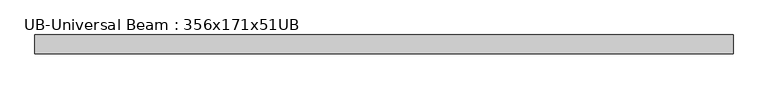
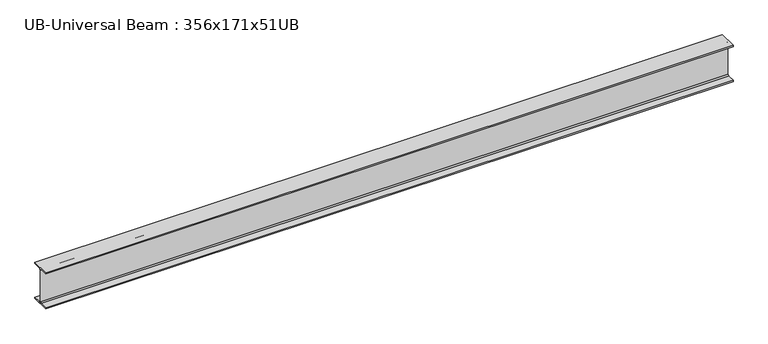
"""IFC4 building model written with IfcOpenShell, lengths in millimetres: beam geometry, UB-Universal Beam : 356x171x51UB."""

import ifcopenshell
import ifcopenshell.guid

model = None  # the IFC model being written
_history = None  # IfcOwnerHistory: only IFC2X3 demands one
_inside = {}  # id of a spatial element -> (the spatial element, [elements in it])
_under = {}  # id of a project, library or spatial element -> (it, [spatial elements below it])
_declared = {}  # id of a project -> (the project, [libraries it declares])
_typed = {}  # id of a type object -> (the type object, [elements of that type])
_made_of = {}  # id of a material, layer set ... -> (it, [elements and type objects made of it])


def new_model(schema):
    """Start an empty IFC model of exactly this schema.

    Asked for "IFC4X3", IfcOpenShell would pick the latest addendum, in which some entities
    have other attributes; the version numbers below select the first issue.
    IFC2X3 requires an IfcOwnerHistory on every rooted entity: one is made here for all.
    """
    global model, _history
    if schema == "IFC4X3":
        model = ifcopenshell.file(schema_version=(4, 3, 0, 0))
    else:
        model = ifcopenshell.file(schema=schema)
    _inside.clear()
    _under.clear()
    _declared.clear()
    _typed.clear()
    _made_of.clear()
    _history = None
    if model.schema == "IFC2X3":
        org = make("IfcOrganization", Name="unknown")
        user = make(
            "IfcPersonAndOrganization",
            ThePerson=make("IfcPerson", FamilyName="unknown"),
            TheOrganization=org,
        )
        app = make(
            "IfcApplication",
            ApplicationDeveloper=org,
            Version="unknown",
            ApplicationFullName="unknown",
            ApplicationIdentifier="unknown",
        )
        _history = make(
            "IfcOwnerHistory",
            OwningUser=user,
            OwningApplication=app,
            ChangeAction="ADDED",
            CreationDate=0,
        )
    return model


def make(cls, **values):
    """One entity of the class cls with the attributes given. An attribute that is None is left unset."""
    return model.create_entity(
        cls, **{name: value for name, value in values.items() if value is not None}
    )


def rooted(cls, **values):
    """An entity with a GlobalId (a new one), such as an element, a storey or a relation."""
    return make(cls, GlobalId=ifcopenshell.guid.new(), OwnerHistory=_history, **values)


def si_unit(unit_type, name, prefix=None):
    """IfcSIUnit, for example si_unit("LENGTHUNIT", "METRE", prefix="MILLI")."""
    return make("IfcSIUnit", UnitType=unit_type, Prefix=prefix, Name=name)


def assignment(units):
    """IfcUnitAssignment: the units of a project."""
    return None if units is None else make("IfcUnitAssignment", Units=units)


def point(xyz):
    """IfcCartesianPoint."""
    return None if xyz is None else make("IfcCartesianPoint", Coordinates=xyz)


def direction(xyz):
    """IfcDirection."""
    return None if xyz is None else make("IfcDirection", DirectionRatios=xyz)


def frame(location, z_axis=None, x_axis=None):
    """IfcAxis2Placement3D, a coordinate frame: its origin and axes. An axis left out is left unset."""
    return make(
        "IfcAxis2Placement3D",
        Location=point(location),
        Axis=direction(z_axis),
        RefDirection=direction(x_axis),
    )


def frame_2d(location, x_axis=None):
    """IfcAxis2Placement2D, a coordinate frame in the plane: its origin and x axis."""
    return make(
        "IfcAxis2Placement2D", Location=point(location), RefDirection=direction(x_axis)
    )


def origin():
    """The frame at (0, 0, 0) with its axes left unset."""
    return frame((0.0, 0.0, 0.0))


def place(relative_to, where):
    """IfcLocalPlacement: puts the frame where relative to a parent placement (None: the world)."""
    return make(
        "IfcLocalPlacement", PlacementRelTo=relative_to, RelativePlacement=where
    )


def context(
    kind, dimensions, precision=None, world=None, true_north=None, identifier=None
):
    """IfcGeometricRepresentationContext, for example the 3D "Model" context."""
    return make(
        "IfcGeometricRepresentationContext",
        ContextIdentifier=identifier,
        ContextType=kind,
        CoordinateSpaceDimension=dimensions,
        Precision=precision,
        WorldCoordinateSystem=world,
        TrueNorth=true_north,
    )


def project(units=None, contexts=None):
    """IfcProject with its units and contexts."""
    return rooted(
        "IfcProject",
        Name="project",
        RepresentationContexts=contexts,
        UnitsInContext=assignment(units),
    )


def spatial(cls, under=None, at=None, **own):
    """A site, building, storey or space (cls), placed at a placement, below another one or the project."""
    s = rooted(cls, ObjectPlacement=at, **own)
    if under is not None:
        _under.setdefault(under.id(), (under, []))[1].append(s)
    return s


def polyline(points):
    """IfcPolyline through the points."""
    return make("IfcPolyline", Points=[point(p) for p in points])


def circle_curve(where, radius):
    """IfcCircle in the frame where."""
    return make("IfcCircle", Position=where, Radius=radius)


def trimmed(basis, trim1, trim2, sense, master):
    """IfcTrimmedCurve: the piece of a basis curve between two trims."""
    return make(
        "IfcTrimmedCurve",
        BasisCurve=basis,
        Trim1=trim1,
        Trim2=trim2,
        SenseAgreement=sense,
        MasterRepresentation=master,
    )


def segment(curve, same_sense, transition):
    """IfcCompositeCurveSegment."""
    return make(
        "IfcCompositeCurveSegment",
        Transition=transition,
        SameSense=same_sense,
        ParentCurve=curve,
    )


def composite_curve(segments, self_intersect=None):
    """IfcCompositeCurve: segments joined end to end."""
    return make("IfcCompositeCurve", Segments=segments, SelfIntersect=self_intersect)


def outline(outer, holes=None, kind="AREA"):
    """IfcArbitraryClosedProfileDef: a profile drawn as a closed curve; with holes, ...WithVoids."""
    if holes is None:
        return make("IfcArbitraryClosedProfileDef", ProfileType=kind, OuterCurve=outer)
    return make(
        "IfcArbitraryProfileDefWithVoids",
        ProfileType=kind,
        OuterCurve=outer,
        InnerCurves=holes,
    )


def extrude(swept, where, along, depth):
    """IfcExtrudedAreaSolid: the profile swept, set in the frame where, extruded along a direction by depth."""
    return make(
        "IfcExtrudedAreaSolid",
        SweptArea=swept,
        Position=where,
        ExtrudedDirection=direction(along),
        Depth=depth,
    )


def shape(context_of_items, identifier, shape_type, items):
    """IfcShapeRepresentation: the items that make up one representation, for example the "Body"."""
    return make(
        "IfcShapeRepresentation",
        ContextOfItems=context_of_items,
        RepresentationIdentifier=identifier,
        RepresentationType=shape_type,
        Items=items,
    )


def source(mapping_origin, context_of_items, identifier, shape_type, items):
    """IfcRepresentationMap: a shape defined once, which mapped items show again and again."""
    return make(
        "IfcRepresentationMap",
        MappingOrigin=mapping_origin,
        MappedRepresentation=shape(context_of_items, identifier, shape_type, items),
    )


def transform(
    local_origin,
    x_axis=None,
    y_axis=None,
    z_axis=None,
    scale=None,
    scale2=None,
    scale3=None,
    uniform=True,
):
    """IfcCartesianTransformationOperator3D, or its non-uniform kind. x_axis, y_axis, z_axis: its Axis1, 2, 3."""
    if uniform:
        return make(
            "IfcCartesianTransformationOperator3D",
            Axis1=direction(x_axis),
            Axis2=direction(y_axis),
            LocalOrigin=point(local_origin),
            Scale=scale,
            Axis3=direction(z_axis),
        )
    return make(
        "IfcCartesianTransformationOperator3DnonUniform",
        Axis1=direction(x_axis),
        Axis2=direction(y_axis),
        LocalOrigin=point(local_origin),
        Scale=scale,
        Axis3=direction(z_axis),
        Scale2=scale2,
        Scale3=scale3,
    )


def mapped(mapping_source, mapping_target):
    """IfcMappedItem: shows the shape of a source again, moved by a transform."""
    return make(
        "IfcMappedItem", MappingSource=mapping_source, MappingTarget=mapping_target
    )


def made_of(thing, what):
    """Note that an element or type object is made of a material, layer set ...; save() writes the relation."""
    if what is not None:
        _made_of.setdefault(what.id(), (what, []))[1].append(thing)
    return thing


def element(
    cls,
    number,
    at=None,
    inside=None,
    cuts=None,
    type_object=None,
    material=None,
    context=None,
    identifier="Body",
    shape_type=None,
    held_by="IfcProductDefinitionShape",
    body=None,
    shapes=None,
    **own,
):
    """One element of the class cls, such as IfcWall. Its Tag is "e" and its number.

    at: its placement. inside: the storey or other place that contains it. cuts: it is an
    opening in that element (IfcRelVoidsElement). A single representation is given by context,
    identifier, shape_type and body (its items); several are given by shapes. held_by: the class
    of the entity that holds the representations. save() writes the other relations.
    """
    e = rooted(cls, Tag="e%d" % number, ObjectPlacement=at, **own)
    if body is not None:
        shapes = [shape(context, identifier, shape_type, body)]
    if shapes is not None:
        e.Representation = make(held_by, Representations=shapes)
    if inside is not None:
        _inside.setdefault(inside.id(), (inside, []))[1].append(e)
    if cuts is not None:
        rooted(
            "IfcRelVoidsElement", RelatingBuildingElement=cuts, RelatedOpeningElement=e
        )
    if type_object is not None:
        _typed.setdefault(type_object.id(), (type_object, []))[1].append(e)
    return made_of(e, material)


def aggregate(whole, parts):
    """IfcRelAggregates: a whole, such as a stair, and the parts it consists of."""
    return rooted("IfcRelAggregates", RelatingObject=whole, RelatedObjects=parts)


def save(model, path):
    """Write the relations noted so far, then the file.

    IfcRelAggregates (storeys below a building ...), IfcRelContainedInSpatialStructure (elements
    in a storey), IfcRelDefinesByType, IfcRelAssociatesMaterial and IfcRelDeclares: one each for
    every whole, place, type object, material and project.
    """
    for whole, parts in _under.values():
        aggregate(whole, parts)
    for where, things in _inside.values():
        rooted(
            "IfcRelContainedInSpatialStructure",
            RelatedElements=things,
            RelatingStructure=where,
        )
    for kind, things in _typed.values():
        rooted("IfcRelDefinesByType", RelatedObjects=things, RelatingType=kind)
    for what, things in _made_of.values():
        rooted("IfcRelAssociatesMaterial", RelatedObjects=things, RelatingMaterial=what)
    for by, libraries in _declared.values():
        rooted("IfcRelDeclares", RelatingContext=by, RelatedDefinitions=libraries)
    model.write(path)


def ub_universal_beam_356x171x51ub_e3de7529(model_context):
    return source(origin(), model_context, "Body", "SweptSolid", [
        extrude(outline(composite_curve([segment(polyline([(85.75, -166.0), (85.75, -177.5), (-85.75, -177.5), (-85.75, -166.0), (-13.9, -166.0)]), True, "CONTINUOUS"), segment(trimmed(circle_curve(frame_2d((-13.9, -155.8)), 10.2), [point((-13.9, -166.0))], [point((-3.7, -155.8))], True, "CARTESIAN"), True, "CONTINUOUS"), segment(polyline([(-3.7, -155.8), (-3.7, 155.8)]), True, "CONTINUOUS"), segment(trimmed(circle_curve(frame_2d((-13.9, 155.8)), 10.2), [point((-3.7, 155.8))], [point((-13.9, 166.0))], True, "CARTESIAN"), True, "CONTINUOUS"), segment(polyline([(-13.9, 166.0), (-85.75, 166.0), (-85.75, 177.5), (85.75, 177.5), (85.75, 166.0), (13.9, 166.0)]), True, "CONTINUOUS"), segment(trimmed(circle_curve(frame_2d((13.9, 155.8)), 10.2), [point((13.9, 166.0))], [point((3.7, 155.8))], True, "CARTESIAN"), True, "CONTINUOUS"), segment(polyline([(3.7, 155.8), (3.7, -155.8)]), True, "CONTINUOUS"), segment(trimmed(circle_curve(frame_2d((13.9, -155.8)), 10.2), [point((3.7, -155.8))], [point((13.9, -166.0))], True, "CARTESIAN"), True, "CONTINUOUS"), segment(polyline([(13.9, -166.0), (85.75, -166.0)]), True, "CONTINUOUS")], self_intersect=False)), frame((-3195.8563301, 0.0, 0.0), z_axis=(1.0, 0.0, 0.0), x_axis=(0.0, 1.0, 0.0)), (0.0, 0.0, 1.0), 6391.7126602),
    ])


if __name__ == "__main__":
    model = new_model("IFC4")
    model_context = context("Model", 3, world=origin())
    ifc_project = project(units=[si_unit("LENGTHUNIT", "METRE", prefix="MILLI")], contexts=[model_context])
    site = spatial("IfcSite", under=ifc_project)
    building = spatial("IfcBuilding", under=site)
    placement = place(None, origin())
    ub_universal_beam_356x171x51ub_shape = ub_universal_beam_356x171x51ub_e3de7529(model_context)
    element("IfcBeam", 1, ObjectType="UB-Universal Beam : 356x171x51UB", at=placement, inside=building, context=model_context, shape_type="MappedRepresentation", body=[
        mapped(ub_universal_beam_356x171x51ub_shape, transform((0.0, 0.0, 0.0), x_axis=(1.0, 0.0, 0.0), y_axis=(0.0, 1.0, 0.0), z_axis=(0.0, 0.0, 1.0))),
    ])
    save(model, "model.ifc")
